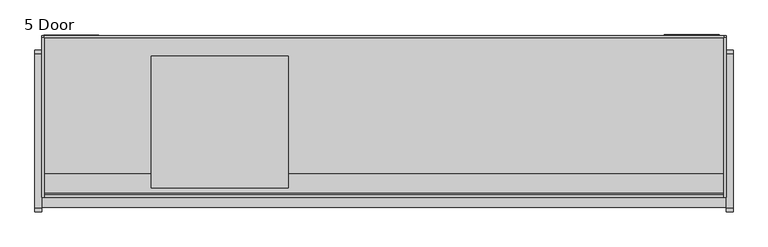
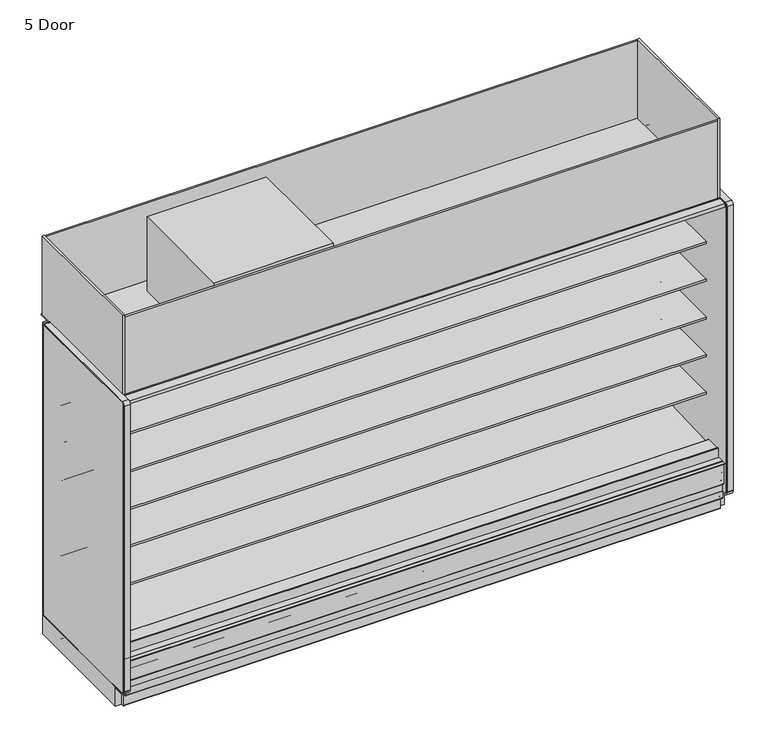
"""IFC4 building model written with IfcOpenShell, lengths in millimetres: proxy geometry, 5 Door."""

from ifc_helpers import new_model, si_unit, point, frame, frame_2d, origin, origin_with_axes, place, context, project, spatial, polyline, circle_curve, trimmed, segment, composite_curve, outline, extrude, source, transform, mapped, element, save


def proxy_5_door_fe0a58a6(model_context):
    return source(origin(), model_context, "Body", "SweptSolid", [
        extrude(outline(polyline([(0.0, -38.6530691), (0.0, 0.0), (3200.4, 0.0), (3200.4, -38.6530691), (0.0, -38.6530691)])), frame((3810.0, -1078.2703087, 1997.4969004), z_axis=(0.0, 0.24192189559968305, 0.9702957262759927), x_axis=(-1.0, 0.0, 0.0)), (0.0, 0.0, 1.0), 7.3408347),
        extrude(outline(polyline([(-1183.4834873, 177.8), (-1183.4834873, 195.2905293), (-1181.4991123, 191.853491), (-1181.4991123, 175.815625), (-1189.8334873, 175.815625), (-1189.8334873, 133.35), (-1191.8146873, 133.35), (-1191.8146873, 177.8), (-1183.4834873, 177.8)])), frame((0.0, 0.0, 0.0), z_axis=(1.0, 0.0, 0.0), x_axis=(0.0, 1.0, 0.0)), (0.0, 0.0, 1.0), 3810.0),
        extrude(outline(composite_curve([segment(polyline([(-1199.1652772, 323.6525395), (-1199.1652772, 322.7889395), (-1205.4517772, 322.7889395)]), True, "CONTINUOUS"), segment(trimmed(circle_curve(frame_2d((-1205.4517772, 322.0015395)), 0.7874), [point((-1205.4517772, 322.7889395))], [point((-1206.2391772, 322.0015395))], True, "CARTESIAN"), True, "CONTINUOUS"), segment(polyline([(-1206.2391772, 322.0015395), (-1206.2391772, 320.4775395), (-1206.2391772, 189.9871554)]), True, "CONTINUOUS"), segment(trimmed(circle_curve(frame_2d((-1205.4517772, 189.9871554)), 0.7874), [point((-1206.2391772, 189.9871554))], [point((-1205.0580772, 189.305247))], True, "CARTESIAN"), True, "CONTINUOUS"), segment(polyline([(-1205.0580772, 189.305247), (-1186.9673399, 199.7499391)]), True, "CONTINUOUS"), segment(trimmed(circle_curve(frame_2d((-1186.1418399, 198.3201311)), 1.651), [point((-1186.9673399, 199.7499391))], [point((-1184.712032, 199.1456311))], False, "CARTESIAN"), True, "CONTINUOUS"), segment(polyline([(-1184.712032, 199.1456311), (-1179.187532, 189.5769164), (-1179.9354315, 189.1451164), (-1185.4599315, 198.7138311)]), True, "CONTINUOUS"), segment(trimmed(circle_curve(frame_2d((-1186.1418399, 198.3201311)), 0.7874), [point((-1185.4599315, 198.7138311))], [point((-1186.5355399, 199.0020395))], True, "CARTESIAN"), True, "CONTINUOUS"), segment(polyline([(-1186.5355399, 199.0020395), (-1204.6262772, 188.5573475)]), True, "CONTINUOUS"), segment(trimmed(circle_curve(frame_2d((-1205.4517772, 189.9871554)), 1.651), [point((-1204.6262772, 188.5573475))], [point((-1207.1027772, 189.9871554))], False, "CARTESIAN"), True, "CONTINUOUS"), segment(polyline([(-1207.1027772, 189.9871554), (-1207.1027772, 191.5746554), (-1207.1027772, 320.4775395), (-1207.1027772, 322.0015395)]), True, "CONTINUOUS"), segment(trimmed(circle_curve(frame_2d((-1205.4517772, 322.0015395)), 1.651), [point((-1207.1027772, 322.0015395))], [point((-1205.4517772, 323.6525395))], False, "CARTESIAN"), True, "CONTINUOUS"), segment(polyline([(-1205.4517772, 323.6525395), (-1199.1652772, 323.6525395)]), True, "CONTINUOUS")], self_intersect=False)), frame((0.0, 0.0, 0.0), z_axis=(1.0, 0.0, 0.0), x_axis=(0.0, 1.0, 0.0)), (0.0, 0.0, 1.0), 3810.0),
        extrude(outline(polyline([(1371.6, -374.4071273), (1371.6, -1111.0071273), (609.6, -1111.0071273), (609.6, -374.4071273), (1371.6, -374.4071273)])), frame((0.0, 0.0, 2107.5790188), z_axis=(0.0, 0.0, 1.0), x_axis=(1.0, 0.0, 0.0)), (0.0, 0.0, 1.0), 502.2709812),
        extrude(outline(polyline([(3810.0, -260.1071273), (3810.0, -1161.8071273), (0.0, -1161.8071273), (0.0, -260.1071273), (3810.0, -260.1071273)])), frame((0.0, 0.0, 2089.15), z_axis=(0.0, 0.0, 1.0), x_axis=(1.0, 0.0, 0.0)), (0.0, 0.0, 1.0), 6.35),
        extrude(outline(composite_curve([segment(polyline([(-1219.271907, 334.0862), (-1192.8205273, 334.0862)]), True, "CONTINUOUS"), segment(trimmed(circle_curve(frame_2d((-1192.8205273, 332.1304)), 1.9558), [point((-1192.8205273, 334.0862))], [point((-1190.8647273, 332.1304))], False, "CARTESIAN"), True, "CONTINUOUS"), segment(polyline([(-1190.8647273, 332.1304), (-1190.8647273, 321.3862), (-1190.8647273, 300.7449388), (-1192.1324192, 300.7449388), (-1192.1324192, 321.3862), (-1192.1324192, 332.1304)]), True, "CONTINUOUS"), segment(trimmed(circle_curve(frame_2d((-1192.9198192, 332.1304)), 0.7874), [point((-1192.1324192, 332.1304))], [point((-1192.9198192, 332.9178))], True, "CARTESIAN"), True, "CONTINUOUS"), segment(polyline([(-1192.9198192, 332.9178), (-1219.271907, 332.9178), (-1219.271907, 334.0862)]), True, "CONTINUOUS")], self_intersect=False)), frame((0.0, 0.0, 0.0), z_axis=(1.0, 0.0, 0.0), x_axis=(0.0, 1.0, 0.0)), (0.0, 0.0, 1.0), 3810.0),
        extrude(outline(composite_curve([segment(polyline([(-1169.6042697, 82.5444735), (-368.9975849, 82.5444735)]), True, "CONTINUOUS"), segment(trimmed(circle_curve(frame_2d((-372.4259273, 84.5312)), 3.9624), [point((-368.9975849, 82.5444735))], [point((-372.4259273, 80.5688))], False, "CARTESIAN"), True, "CONTINUOUS"), segment(polyline([(-372.4259273, 80.5688), (-1166.1759273, 80.5688)]), True, "CONTINUOUS"), segment(trimmed(circle_curve(frame_2d((-1166.1759273, 84.5312)), 3.9624), [point((-1166.1759273, 80.5688))], [point((-1169.6042697, 82.5444735))], False, "CARTESIAN"), True, "CONTINUOUS")], self_intersect=False)), frame((0.0, 0.0, 0.0), z_axis=(1.0, 0.0, 0.0), x_axis=(0.0, 1.0, 0.0)), (0.0, 0.0, 1.0), 3810.0),
        extrude(outline(composite_curve([segment(polyline([(-1001.3146873, 129.3876), (-1024.7334873, 129.3876)]), True, "CONTINUOUS"), segment(trimmed(circle_curve(frame_2d((-1024.7334873, 127.4064)), 1.9812), [point((-1024.7334873, 129.3876))], [point((-1026.7146873, 127.4064))], True, "CARTESIAN"), True, "CONTINUOUS"), segment(polyline([(-1026.7146873, 127.4064), (-1026.7146873, 86.5124)]), True, "CONTINUOUS"), segment(trimmed(circle_curve(frame_2d((-1030.6770873, 86.5124)), 3.9624), [point((-1026.7146873, 86.5124))], [point((-1030.6770873, 82.55))], False, "CARTESIAN"), True, "CONTINUOUS"), segment(polyline([(-1030.6770873, 82.55), (-1187.8522873, 82.55)]), True, "CONTINUOUS"), segment(trimmed(circle_curve(frame_2d((-1187.8522873, 86.5124)), 3.9624), [point((-1187.8522873, 82.55))], [point((-1191.8146873, 86.5124))], False, "CARTESIAN"), True, "CONTINUOUS"), segment(polyline([(-1191.8146873, 86.5124), (-1191.8146873, 133.35), (-1040.3697273, 133.35), (-1040.3697273, 131.3688), (-1189.8334873, 131.3688), (-1189.8334873, 86.5124)]), True, "CONTINUOUS"), segment(trimmed(circle_curve(frame_2d((-1187.8522873, 86.5124)), 1.9812), [point((-1189.8334873, 86.5124))], [point((-1187.8522873, 84.5312))], True, "CARTESIAN"), True, "CONTINUOUS"), segment(polyline([(-1187.8522873, 84.5312), (-1030.6770873, 84.5312)]), True, "CONTINUOUS"), segment(trimmed(circle_curve(frame_2d((-1030.6770873, 86.5124)), 1.9812), [point((-1030.6770873, 84.5312))], [point((-1028.6958873, 86.5124))], True, "CARTESIAN"), True, "CONTINUOUS"), segment(polyline([(-1028.6958873, 86.5124), (-1028.6958873, 129.3876)]), True, "CONTINUOUS"), segment(trimmed(circle_curve(frame_2d((-1024.7334873, 129.3876)), 3.9624), [point((-1028.6958873, 129.3876))], [point((-1024.7334873, 133.35))], False, "CARTESIAN"), True, "CONTINUOUS"), segment(polyline([(-1024.7334873, 133.35), (-1001.3146873, 133.35), (-1001.3146873, 129.3876)]), True, "CONTINUOUS")], self_intersect=False)), frame((0.0, 0.0, 0.0), z_axis=(1.0, 0.0, 0.0), x_axis=(0.0, 1.0, 0.0)), (0.0, 0.0, 1.0), 3810.0),
        extrude(outline(composite_curve([segment(trimmed(circle_curve(frame_2d((-514.1071273, 127.4064)), 1.9812), [point((-512.1259273, 127.4064))], [point((-514.1071273, 129.3876))], True, "CARTESIAN"), True, "CONTINUOUS"), segment(polyline([(-514.1071273, 129.3876), (-537.5259273, 129.3876), (-537.5259273, 133.1722), (-514.1071273, 133.1722)]), True, "CONTINUOUS"), segment(trimmed(circle_curve(frame_2d((-514.1071273, 129.2098)), 3.9624), [point((-514.1071273, 133.1722))], [point((-510.1447273, 129.2098))], False, "CARTESIAN"), True, "CONTINUOUS"), segment(polyline([(-510.1447273, 129.2098), (-510.1447273, 86.5124)]), True, "CONTINUOUS"), segment(trimmed(circle_curve(frame_2d((-508.1635273, 86.5124)), 1.9812), [point((-510.1447273, 86.5124))], [point((-508.1635273, 84.5312))], True, "CARTESIAN"), True, "CONTINUOUS"), segment(polyline([(-508.1635273, 84.5312), (-350.9883273, 84.5312)]), True, "CONTINUOUS"), segment(trimmed(circle_curve(frame_2d((-350.9883273, 86.5124)), 1.9812), [point((-350.9883273, 84.5312))], [point((-349.0071273, 86.5124))], True, "CARTESIAN"), True, "CONTINUOUS"), segment(polyline([(-349.0071273, 86.5124), (-349.0071273, 133.35), (-347.0259273, 133.35), (-347.0259273, 86.5124)]), True, "CONTINUOUS"), segment(trimmed(circle_curve(frame_2d((-350.9883273, 86.5124)), 3.9624), [point((-347.0259273, 86.5124))], [point((-350.9883273, 82.55))], False, "CARTESIAN"), True, "CONTINUOUS"), segment(polyline([(-350.9883273, 82.55), (-508.1635273, 82.55)]), True, "CONTINUOUS"), segment(trimmed(circle_curve(frame_2d((-508.1635273, 86.5124)), 3.9624), [point((-508.1635273, 82.55))], [point((-512.1259273, 86.5124))], False, "CARTESIAN"), True, "CONTINUOUS"), segment(polyline([(-512.1259273, 86.5124), (-512.1259273, 127.4064)]), True, "CONTINUOUS")], self_intersect=False)), frame((0.0, 0.0, 0.0), z_axis=(1.0, 0.0, 0.0), x_axis=(0.0, 1.0, 0.0)), (0.0, 0.0, 1.0), 3810.0),
        extrude(outline(polyline([(3810.0, -372.4259273), (3810.0, -1166.1759273), (0.0, -1166.1759273), (0.0, -372.4259273), (3810.0, -372.4259273)])), frame((0.0, 0.0, 78.5876), z_axis=(0.0, 0.0, 1.0), x_axis=(1.0, 0.0, 0.0)), (0.0, 0.0, 1.0), 1.9812),
        extrude(outline(composite_curve([segment(polyline([(-372.4259273, 3.9624), (-372.4259273, 1.9812), (-372.4259273, 0.0), (-474.0259273, 0.0), (-474.0259273, 1.9812), (-474.0259273, 3.9624), (-474.0259273, 19.05)]), True, "CONTINUOUS"), segment(trimmed(circle_curve(frame_2d((-499.4259273, 19.05)), 25.4), [point((-474.0259273, 19.05))], [point((-499.4259273, 44.45))], True, "CARTESIAN"), True, "CONTINUOUS"), segment(polyline([(-499.4259273, 44.45), (-1039.1759273, 44.45)]), True, "CONTINUOUS"), segment(trimmed(circle_curve(frame_2d((-1039.1759273, 19.05)), 25.4), [point((-1039.1759273, 44.45))], [point((-1064.5759273, 19.05))], True, "CARTESIAN"), True, "CONTINUOUS"), segment(polyline([(-1064.5759273, 19.05), (-1064.5759273, 3.9624), (-1064.5759273, 1.9812), (-1064.5759273, 0.0), (-1166.1759273, 0.0), (-1166.1759273, 1.9812), (-1166.1759273, 3.9624), (-1166.1759273, 78.5876), (-372.4259273, 78.5876), (-372.4259273, 3.9624)]), True, "CONTINUOUS")], self_intersect=False), holes=[composite_curve([segment(trimmed(circle_curve(frame_2d((-1089.9759273, 69.85)), 4.2164), [point((-1092.0841273, 73.5015095))], [point((-1087.8677273, 66.1984905))], True, "CARTESIAN"), True, "CONTINUOUS"), segment(trimmed(circle_curve(frame_2d((-1089.9759273, 69.85)), 4.2164), [point((-1087.8677273, 66.1984905))], [point((-1092.0841273, 73.5015095))], True, "CARTESIAN"), True, "CONTINUOUS")], self_intersect=False), composite_curve([segment(trimmed(circle_curve(frame_2d((-1089.9759273, 12.7)), 4.2164), [point((-1092.0841273, 16.3515095))], [point((-1087.8677273, 9.0484905))], True, "CARTESIAN"), True, "CONTINUOUS"), segment(trimmed(circle_curve(frame_2d((-1089.9759273, 12.7)), 4.2164), [point((-1087.8677273, 9.0484905))], [point((-1092.0841273, 16.3515095))], True, "CARTESIAN"), True, "CONTINUOUS")], self_intersect=False), composite_curve([segment(trimmed(circle_curve(frame_2d((-448.6259273, 69.85)), 4.2164), [point((-450.7341273, 73.5015095))], [point((-446.5177273, 66.1984905))], True, "CARTESIAN"), True, "CONTINUOUS"), segment(trimmed(circle_curve(frame_2d((-448.6259273, 69.85)), 4.2164), [point((-446.5177273, 66.1984905))], [point((-450.7341273, 73.5015095))], True, "CARTESIAN"), True, "CONTINUOUS")], self_intersect=False), composite_curve([segment(trimmed(circle_curve(frame_2d((-448.6259273, 12.7)), 4.2164), [point((-450.7341273, 16.3515095))], [point((-446.5177273, 9.0484905))], True, "CARTESIAN"), True, "CONTINUOUS"), segment(trimmed(circle_curve(frame_2d((-448.6259273, 12.7)), 4.2164), [point((-446.5177273, 9.0484905))], [point((-450.7341273, 16.3515095))], True, "CARTESIAN"), True, "CONTINUOUS")], self_intersect=False)]), frame((0.0, 0.0, 0.0), z_axis=(1.0, 0.0, 0.0), x_axis=(0.0, 1.0, 0.0)), (0.0, 0.0, 1.0), 3810.0),
        extrude(outline(composite_curve([segment(trimmed(circle_curve(frame_2d((3687.8082444, -305.1108756)), 12.7), [point((3675.1082444, -305.1108756))], [point((3700.5082444, -305.1108756))], False, "CARTESIAN"), True, "CONTINUOUS"), segment(trimmed(circle_curve(frame_2d((3687.8082444, -305.1108756)), 12.7), [point((3700.5082444, -305.1108756))], [point((3675.1082444, -305.1108756))], False, "CARTESIAN"), True, "CONTINUOUS")], self_intersect=False)), frame((0.0, 0.0, 1138.0399939), z_axis=(0.0, 0.0, 1.0), x_axis=(1.0, 0.0, 0.0)), (0.0, 0.0, 1.0), 554.8039204),
        extrude(outline(composite_curve([segment(trimmed(circle_curve(frame_2d((3558.38125, -305.1108756)), 9.525), [point((3548.85625, -305.1108756))], [point((3567.90625, -305.1108756))], False, "CARTESIAN"), True, "CONTINUOUS"), segment(trimmed(circle_curve(frame_2d((3558.38125, -305.1108756)), 9.525), [point((3567.90625, -305.1108756))], [point((3548.85625, -305.1108756))], False, "CARTESIAN"), True, "CONTINUOUS")], self_intersect=False)), frame((0.0, 0.0, 1138.0399939), z_axis=(0.0, 0.0, 1.0), x_axis=(1.0, 0.0, 0.0)), (0.0, 0.0, 1.0), 554.8039204),
        extrude(outline(polyline([(3771.10625, -256.4521239), (3771.10625, -349.0071273), (3767.93125, -349.0071273), (3767.93125, -259.6271239), (3469.48125, -259.6271239), (3469.48125, -349.0071273), (3466.30625, -349.0071273), (3466.30625, -256.4521239), (3771.10625, -256.4521239)])), frame((0.0, 0.0, 193.7512), z_axis=(0.0, 0.0, 1.0), x_axis=(1.0, 0.0, 0.0)), (0.0, 0.0, 1.0), 1438.7950439),
        extrude(outline(polyline([(105.5601284, -782.8225818), (397.6601284, -782.8225818), (397.6601284, -1034.2202905), (105.5601284, -1034.2202905), (105.5601284, -782.8225818)])), frame((0.0, 0.0, 95.25), z_axis=(0.0, 0.0, 1.0), x_axis=(1.0, 0.0, 0.0)), (0.0, 0.0, 1.0), 6.35),
        extrude(outline(composite_curve([segment(trimmed(circle_curve(frame_2d((1905.0, -1015.7571273)), 38.1), [point((1866.9, -1015.7571273))], [point((1943.1, -1015.7571273))], False, "CARTESIAN"), True, "CONTINUOUS"), segment(trimmed(circle_curve(frame_2d((1905.0, -1015.7571273)), 38.1), [point((1943.1, -1015.7571273))], [point((1866.9, -1015.7571273))], False, "CARTESIAN"), True, "CONTINUOUS")], self_intersect=False)), origin_with_axes(), (0.0, 0.0, 1.0), 101.6),
        extrude(outline(polyline([(316.70625, -258.0396239), (316.70625, -349.0071273), (11.90625, -349.0071273), (11.90625, -258.0396239), (316.70625, -258.0396239)])), frame((0.0, 0.0, 1782.450878), z_axis=(0.0, 0.0, 1.0), x_axis=(1.0, 0.0, 0.0)), (0.0, 0.0, 1.0), 254.5161408),
        extrude(outline(composite_curve([segment(polyline([(-453.852044, 591.1422184), (-464.9599362, 590.9259013)]), True, "CONTINUOUS"), segment(trimmed(circle_curve(frame_2d((-465.4478819, 615.9819291)), 25.0607786), [point((-464.9599362, 590.9259013))], [point((-481.3552045, 596.6170199))], False, "CARTESIAN"), True, "CONTINUOUS"), segment(polyline([(-481.3552045, 596.6170199), (-519.5769051, 627.7002885)]), True, "CONTINUOUS"), segment(trimmed(circle_curve(frame_2d((-559.6413782, 578.4348036)), 63.5), [point((-519.5769051, 627.7002885))], [point((-552.7883688, 641.5639274))], True, "CARTESIAN"), True, "CONTINUOUS"), segment(polyline([(-552.7883688, 641.5639274), (-892.1960421, 674.1744175), (-892.1960421, 678.4587439), (-1012.6220004, 678.4587439), (-1012.6220004, 691.9524939), (-453.852044, 691.9524939), (-453.852044, 591.1422184)]), True, "CONTINUOUS")], self_intersect=False)), frame((0.0, 0.0, 0.0), z_axis=(1.0, 0.0, 0.0), x_axis=(0.0, 1.0, 0.0)), (0.0, 0.0, 1.0), 3810.0),
        extrude(outline(composite_curve([segment(polyline([(-453.852044, 845.1422184), (-464.9599362, 844.9259013)]), True, "CONTINUOUS"), segment(trimmed(circle_curve(frame_2d((-465.4478819, 869.9819291)), 25.0607786), [point((-464.9599362, 844.9259013))], [point((-481.3552045, 850.6170199))], False, "CARTESIAN"), True, "CONTINUOUS"), segment(polyline([(-481.3552045, 850.6170199), (-519.5769051, 881.7002885)]), True, "CONTINUOUS"), segment(trimmed(circle_curve(frame_2d((-559.6413782, 832.4348036)), 63.5), [point((-519.5769051, 881.7002885))], [point((-552.7883688, 895.5639274))], True, "CARTESIAN"), True, "CONTINUOUS"), segment(polyline([(-552.7883688, 895.5639274), (-892.1960421, 928.1744175), (-892.1960421, 932.4587439), (-1012.6220004, 932.4587439), (-1012.6220004, 945.9524939), (-453.852044, 945.9524939), (-453.852044, 845.1422184)]), True, "CONTINUOUS")], self_intersect=False)), frame((0.0, 0.0, 0.0), z_axis=(1.0, 0.0, 0.0), x_axis=(0.0, 1.0, 0.0)), (0.0, 0.0, 1.0), 3810.0),
        extrude(outline(composite_curve([segment(polyline([(-453.852044, 1099.1422184), (-464.9599362, 1098.9259013)]), True, "CONTINUOUS"), segment(trimmed(circle_curve(frame_2d((-465.4478819, 1123.9819291)), 25.0607786), [point((-464.9599362, 1098.9259013))], [point((-481.3552045, 1104.6170199))], False, "CARTESIAN"), True, "CONTINUOUS"), segment(polyline([(-481.3552045, 1104.6170199), (-519.5769051, 1135.7002885)]), True, "CONTINUOUS"), segment(trimmed(circle_curve(frame_2d((-559.6413782, 1086.4348036)), 63.5), [point((-519.5769051, 1135.7002885))], [point((-552.7883688, 1149.5639274))], True, "CARTESIAN"), True, "CONTINUOUS"), segment(polyline([(-552.7883688, 1149.5639274), (-892.1960421, 1182.1744175), (-892.1960421, 1186.4587439), (-1012.6220004, 1186.4587439), (-1012.6220004, 1199.9524939), (-453.852044, 1199.9524939), (-453.852044, 1099.1422184)]), True, "CONTINUOUS")], self_intersect=False)), frame((0.0, 0.0, 0.0), z_axis=(1.0, 0.0, 0.0), x_axis=(0.0, 1.0, 0.0)), (0.0, 0.0, 1.0), 3810.0),
        extrude(outline(composite_curve([segment(polyline([(-453.852044, 1353.1422184), (-464.9599362, 1352.9259013)]), True, "CONTINUOUS"), segment(trimmed(circle_curve(frame_2d((-465.4478819, 1377.9819291)), 25.0607786), [point((-464.9599362, 1352.9259013))], [point((-481.3552045, 1358.6170199))], False, "CARTESIAN"), True, "CONTINUOUS"), segment(polyline([(-481.3552045, 1358.6170199), (-519.5769051, 1389.7002885)]), True, "CONTINUOUS"), segment(trimmed(circle_curve(frame_2d((-559.6413782, 1340.4348036)), 63.5), [point((-519.5769051, 1389.7002885))], [point((-552.7883688, 1403.5639274))], True, "CARTESIAN"), True, "CONTINUOUS"), segment(polyline([(-552.7883688, 1403.5639274), (-892.1960421, 1436.1744175), (-892.1960421, 1440.4587439), (-1012.6220004, 1440.4587439), (-1012.6220004, 1453.9524939), (-453.852044, 1453.9524939), (-453.852044, 1353.1422184)]), True, "CONTINUOUS")], self_intersect=False)), frame((0.0, 0.0, 0.0), z_axis=(1.0, 0.0, 0.0), x_axis=(0.0, 1.0, 0.0)), (0.0, 0.0, 1.0), 3810.0),
        extrude(outline(polyline([(3810.0, -272.8071273), (3810.0, -1161.8071273), (3797.3, -1161.8071273), (3797.3, -272.8071273), (3810.0, -272.8071273)])), frame((0.0, 0.0, 2089.15), z_axis=(0.0, 0.0, 1.0), x_axis=(1.0, 0.0, 0.0)), (0.0, 0.0, 1.0), 542.5072188),
        extrude(outline(polyline([(12.7, -272.8071273), (12.7, -1161.8071273), (0.0, -1161.8071273), (0.0, -272.8071273), (12.7, -272.8071273)])), frame((0.0, 0.0, 2089.15), z_axis=(0.0, 0.0, 1.0), x_axis=(1.0, 0.0, 0.0)), (0.0, 0.0, 1.0), 542.5072188),
        extrude(outline(polyline([(3797.3, -260.1071273), (3797.3, -272.8071273), (12.7, -272.8071273), (12.7, -260.1071273), (3797.3, -260.1071273)])), frame((0.0, 0.0, 2095.5), z_axis=(0.0, 0.0, 1.0), x_axis=(1.0, 0.0, 0.0)), (0.0, 0.0, 1.0), 524.1938188),
        extrude(outline(composite_curve([segment(polyline([(-1032.1083773, 2088.5290188), (-1161.8071273, 2088.5290188), (-1161.8071273, 2619.6938188), (-1149.113193, 2619.6938188), (-1149.113193, 2126.5147188)]), True, "CONTINUOUS"), segment(trimmed(circle_curve(frame_2d((-1136.413193, 2126.5147188)), 12.7), [point((-1149.113193, 2126.5147188))], [point((-1136.413193, 2113.8147188))], True, "CARTESIAN"), True, "CONTINUOUS"), segment(polyline([(-1136.413193, 2113.8147188), (-1032.1083773, 2113.8147188), (-1032.1083773, 2088.5290188)]), True, "CONTINUOUS")], self_intersect=False)), frame((12.7, 0.0, 0.0), z_axis=(1.0, 0.0, 0.0), x_axis=(0.0, 1.0, 0.0)), (0.0, 0.0, 1.0), 3784.6),
        extrude(outline(polyline([(-1218.7163962, 2067.3454108), (-1218.7163962, 2088.5290188), (-1134.8551873, 2088.5290188), (-1134.8551873, 2037.6083622), (-1147.784197, 2037.6083622), (-1147.784197, 2067.3454108), (-1218.7163962, 2067.3454108)])), frame((0.0, 0.0, 0.0), z_axis=(1.0, 0.0, 0.0), x_axis=(0.0, 1.0, 0.0)), (0.0, 0.0, 1.0), 3810.0),
        extrude(outline(polyline([(-1147.784197, 334.0862), (-1147.784197, 396.6795495), (-1139.5526974, 396.6795495), (-1139.5526974, 302.7473029), (-1137.9651974, 302.7473029), (-1137.9651974, 300.7449388), (-1190.8639311, 300.7449388), (-1190.8657083, 334.0862), (-1147.784197, 334.0862)])), frame((0.0, 0.0, 0.0), z_axis=(1.0, 0.0, 0.0), x_axis=(0.0, 1.0, 0.0)), (0.0, 0.0, 1.0), 3810.0),
        extrude(outline(composite_curve([segment(polyline([(-453.852044, 1607.1422184), (-464.9599362, 1606.9259013)]), True, "CONTINUOUS"), segment(trimmed(circle_curve(frame_2d((-465.4478819, 1631.9819291)), 25.0607786), [point((-464.9599362, 1606.9259013))], [point((-481.3552045, 1612.6170199))], False, "CARTESIAN"), True, "CONTINUOUS"), segment(polyline([(-481.3552045, 1612.6170199), (-519.5769051, 1643.7002885)]), True, "CONTINUOUS"), segment(trimmed(circle_curve(frame_2d((-559.6413782, 1594.4348036)), 63.5), [point((-519.5769051, 1643.7002885))], [point((-552.7883688, 1657.5639274))], True, "CARTESIAN"), True, "CONTINUOUS"), segment(polyline([(-552.7883688, 1657.5639274), (-892.1960421, 1690.1744175), (-892.1960421, 1694.4587439), (-1012.652044, 1694.4587439), (-1012.652044, 1707.9524939), (-453.852044, 1707.9524939), (-453.852044, 1607.1422184)]), True, "CONTINUOUS")], self_intersect=False)), frame((0.0, 0.0, 0.0), z_axis=(1.0, 0.0, 0.0), x_axis=(0.0, 1.0, 0.0)), (0.0, 0.0, 1.0), 3810.0),
        extrude(outline(polyline([(-349.0071273, 133.35), (-1042.7095547, 133.35), (-1192.1324192, 258.7306705), (-1192.1324192, 300.7449388), (-1137.9651974, 300.7449388), (-1137.9651974, 283.9418925), (-1025.3654807, 189.4595117), (-1009.819944, 190.0023738), (-964.4677493, 157.1934642), (-899.9654388, 159.4459345), (-859.8822128, 192.9404113), (-402.3474764, 220.4377575), (-402.3474764, 2037.6083622), (-1134.8551873, 2037.6083622), (-1134.8551873, 2089.15), (-349.0071273, 2089.15), (-349.0071273, 133.35)])), frame((0.0, 0.0, 0.0), z_axis=(1.0, 0.0, 0.0), x_axis=(0.0, 1.0, 0.0)), (0.0, 0.0, 1.0), 3810.0),
        extrude(outline(polyline([(-569.7966273, 2009.5795495), (-1018.9788197, 2009.5795495), (-1038.3156637, 1986.1261212), (-1044.227619, 1987.6001372), (-1043.8968839, 1988.926643), (-1040.765401, 1988.1458766), (-1023.0938016, 2009.5795495), (-1078.2703087, 2009.5795495), (-1078.2703087, 1997.4969004), (-1075.2026184, 1996.7320393), (-1075.5333534, 1995.4055335), (-1081.4453087, 1996.8795495), (-1081.4453087, 2009.5795495), (-1091.0188306, 2009.5795495), (-1091.0188306, 2025.8814352), (-1103.7188306, 2025.8814352), (-1103.7188306, 2036.9670188), (-402.3474764, 2036.9670188), (-402.3474764, 300.7449388), (-453.852044, 300.7449388), (-453.852044, 2009.5795495), (-569.7966273, 2009.5795495)])), frame((0.0, 0.0, 0.0), z_axis=(1.0, 0.0, 0.0), x_axis=(0.0, 1.0, 0.0)), (0.0, 0.0, 1.0), 3810.0),
        extrude(outline(composite_curve([segment(polyline([(-549.102044, 376.9132463), (-549.102044, 389.995836), (-476.8468712, 389.995836), (-476.8468712, 399.2749991), (-453.852044, 399.2749991), (-453.852044, 380.470836), (-453.852044, 300.7449388), (-402.3474764, 300.7449388), (-402.3474764, 220.4377575), (-859.8822128, 192.9404113), (-899.9654388, 159.4459345), (-964.4677493, 157.1934642), (-1009.819944, 190.0023738), (-1025.3654807, 189.4595117), (-1137.9651974, 283.9418925), (-1137.9651974, 312.2723029), (-1139.5526974, 312.2723029), (-1139.5526974, 388.7420495), (-1040.1411273, 388.7420495)]), True, "CONTINUOUS"), segment(trimmed(circle_curve(frame_2d((-1040.1411273, 386.6846495)), 2.0574), [point((-1040.1411273, 388.7420495))], [point((-1038.0837273, 386.6846495))], False, "CARTESIAN"), True, "CONTINUOUS"), segment(polyline([(-1038.0837273, 386.6846495), (-1038.0837273, 358.6497695), (-549.102044, 376.9132463)]), True, "CONTINUOUS")], self_intersect=False)), frame((0.0, 0.0, 0.0), z_axis=(1.0, 0.0, 0.0), x_axis=(0.0, 1.0, 0.0)), (0.0, 0.0, 1.0), 3810.0),
        extrude(outline(composite_curve([segment(polyline([(-349.0071273, 133.35), (-1209.4321273, 133.35)]), True, "CONTINUOUS"), segment(trimmed(circle_curve(frame_2d((-1209.4321273, 158.75)), 25.4), [point((-1209.4321273, 133.35))], [point((-1234.8321273, 158.75))], False, "CARTESIAN"), True, "CONTINUOUS"), segment(polyline([(-1234.8321273, 158.75), (-1234.8321273, 2082.8)]), True, "CONTINUOUS"), segment(trimmed(circle_curve(frame_2d((-1222.1321273, 2082.8)), 12.7), [point((-1234.8321273, 2082.8))], [point((-1222.1321273, 2095.5))], False, "CARTESIAN"), True, "CONTINUOUS"), segment(polyline([(-1222.1321273, 2095.5), (-361.7071273, 2095.5)]), True, "CONTINUOUS"), segment(trimmed(circle_curve(frame_2d((-361.7071273, 2082.8)), 12.7), [point((-361.7071273, 2095.5))], [point((-349.0071273, 2082.8))], False, "CARTESIAN"), True, "CONTINUOUS"), segment(polyline([(-349.0071273, 2082.8), (-349.0071273, 133.35)]), True, "CONTINUOUS")], self_intersect=False)), frame((3810.0, 0.0, 0.0), z_axis=(1.0, 0.0, 0.0), x_axis=(0.0, 1.0, 0.0)), (0.0, 0.0, 1.0), 38.1),
        extrude(outline(composite_curve([segment(polyline([(-349.0071273, 133.35), (-349.0071273, 2082.8)]), True, "CONTINUOUS"), segment(trimmed(circle_curve(frame_2d((-361.7071273, 2082.8)), 12.7), [point((-349.0071273, 2082.8))], [point((-361.7071273, 2095.5))], True, "CARTESIAN"), True, "CONTINUOUS"), segment(polyline([(-361.7071273, 2095.5), (-1222.1321273, 2095.5)]), True, "CONTINUOUS"), segment(trimmed(circle_curve(frame_2d((-1222.1321273, 2082.8)), 12.7), [point((-1222.1321273, 2095.5))], [point((-1234.8321273, 2082.8))], True, "CARTESIAN"), True, "CONTINUOUS"), segment(polyline([(-1234.8321273, 2082.8), (-1234.8321273, 158.75)]), True, "CONTINUOUS"), segment(trimmed(circle_curve(frame_2d((-1209.4321273, 158.75)), 25.4), [point((-1234.8321273, 158.75))], [point((-1209.4321273, 133.35))], True, "CARTESIAN"), True, "CONTINUOUS"), segment(polyline([(-1209.4321273, 133.35), (-1145.9321273, 133.35), (-1145.9321273, 122.8907563), (-1209.4321273, 122.8907563)]), True, "CONTINUOUS"), segment(trimmed(circle_curve(frame_2d((-1209.4321273, 155.9306)), 33.0398438), [point((-1209.4321273, 122.8907563))], [point((-1242.471971, 155.9306))], False, "CARTESIAN"), True, "CONTINUOUS"), segment(polyline([(-1242.471971, 155.9306), (-1242.471971, 2082.8)]), True, "CONTINUOUS"), segment(trimmed(circle_curve(frame_2d((-1222.1321273, 2082.8)), 20.3398437), [point((-1242.471971, 2082.8))], [point((-1222.1321273, 2103.1398438))], False, "CARTESIAN"), True, "CONTINUOUS"), segment(polyline([(-1222.1321273, 2103.1398438), (-361.7071273, 2103.1398438)]), True, "CONTINUOUS"), segment(trimmed(circle_curve(frame_2d((-361.7071273, 2082.8)), 20.3398437), [point((-361.7071273, 2103.1398438))], [point((-341.3672835, 2082.8))], False, "CARTESIAN"), True, "CONTINUOUS"), segment(polyline([(-341.3672835, 2082.8), (-341.3672835, 133.35), (-349.0071273, 133.35)]), True, "CONTINUOUS")], self_intersect=False)), frame((3810.0, 0.0, 0.0), z_axis=(1.0, 0.0, 0.0), x_axis=(0.0, 1.0, 0.0)), (0.0, 0.0, 1.0), 38.1),
        extrude(outline(composite_curve([segment(polyline([(-349.0071273, 129.3876), (-1209.4321273, 129.3876)]), True, "CONTINUOUS"), segment(trimmed(circle_curve(frame_2d((-1209.4321273, 154.7876)), 25.4), [point((-1209.4321273, 129.3876))], [point((-1234.8321273, 154.7876))], False, "CARTESIAN"), True, "CONTINUOUS"), segment(polyline([(-1234.8321273, 154.7876), (-1234.8321273, 2082.8)]), True, "CONTINUOUS"), segment(trimmed(circle_curve(frame_2d((-1222.1321273, 2082.8)), 12.7), [point((-1234.8321273, 2082.8))], [point((-1222.1321273, 2095.5))], False, "CARTESIAN"), True, "CONTINUOUS"), segment(polyline([(-1222.1321273, 2095.5), (-361.7071273, 2095.5)]), True, "CONTINUOUS"), segment(trimmed(circle_curve(frame_2d((-361.7071273, 2082.8)), 12.7), [point((-361.7071273, 2095.5))], [point((-349.0071273, 2082.8))], False, "CARTESIAN"), True, "CONTINUOUS"), segment(polyline([(-349.0071273, 2082.8), (-349.0071273, 129.3876)]), True, "CONTINUOUS")], self_intersect=False)), frame((-38.1, 0.0, 0.0), z_axis=(1.0, 0.0, 0.0), x_axis=(0.0, 1.0, 0.0)), (0.0, 0.0, 1.0), 38.1),
        extrude(outline(composite_curve([segment(polyline([(-349.0071273, 133.35), (-349.0071273, 2082.8)]), True, "CONTINUOUS"), segment(trimmed(circle_curve(frame_2d((-361.7071273, 2082.8)), 12.7), [point((-349.0071273, 2082.8))], [point((-361.7071273, 2095.5))], True, "CARTESIAN"), True, "CONTINUOUS"), segment(polyline([(-361.7071273, 2095.5), (-1222.1321273, 2095.5)]), True, "CONTINUOUS"), segment(trimmed(circle_curve(frame_2d((-1222.1321273, 2082.8)), 12.7), [point((-1222.1321273, 2095.5))], [point((-1234.8321273, 2082.8))], True, "CARTESIAN"), True, "CONTINUOUS"), segment(polyline([(-1234.8321273, 2082.8), (-1234.8321273, 158.75)]), True, "CONTINUOUS"), segment(trimmed(circle_curve(frame_2d((-1209.4321273, 158.75)), 25.4), [point((-1234.8321273, 158.75))], [point((-1209.4321273, 133.35))], True, "CARTESIAN"), True, "CONTINUOUS"), segment(polyline([(-1209.4321273, 133.35), (-1145.9321273, 133.35), (-1145.9321273, 122.8907563), (-1209.4321273, 122.8907563)]), True, "CONTINUOUS"), segment(trimmed(circle_curve(frame_2d((-1209.4321273, 155.9306)), 33.0398438), [point((-1209.4321273, 122.8907563))], [point((-1242.471971, 155.9306))], False, "CARTESIAN"), True, "CONTINUOUS"), segment(polyline([(-1242.471971, 155.9306), (-1242.471971, 2082.8)]), True, "CONTINUOUS"), segment(trimmed(circle_curve(frame_2d((-1222.1321273, 2082.8)), 20.3398437), [point((-1242.471971, 2082.8))], [point((-1222.1321273, 2103.1398438))], False, "CARTESIAN"), True, "CONTINUOUS"), segment(polyline([(-1222.1321273, 2103.1398438), (-361.7071273, 2103.1398438)]), True, "CONTINUOUS"), segment(trimmed(circle_curve(frame_2d((-361.7071273, 2082.8)), 20.3398437), [point((-361.7071273, 2103.1398438))], [point((-341.3672835, 2082.8))], False, "CARTESIAN"), True, "CONTINUOUS"), segment(polyline([(-341.3672835, 2082.8), (-341.3672835, 133.35), (-349.0071273, 133.35)]), True, "CONTINUOUS")], self_intersect=False)), frame((-38.1, 0.0, 0.0), z_axis=(1.0, 0.0, 0.0), x_axis=(0.0, 1.0, 0.0)), (0.0, 0.0, 1.0), 38.1),
        extrude(outline(polyline([(0.0, -341.3672835), (0.0, -1145.9321273), (-38.1, -1145.9321273), (-38.1, -341.3672835), (0.0, -341.3672835)])), origin_with_axes(), (0.0, 0.0, 1.0), 133.35),
        extrude(outline(polyline([(3848.1, -341.3672835), (3848.1, -1145.9321273), (3810.0, -1145.9321273), (3810.0, -341.3672835), (3848.1, -341.3672835)])), origin_with_axes(), (0.0, 0.0, 1.0), 133.35),
    ])


if __name__ == "__main__":
    model = new_model("IFC4")
    model_context = context("Model", 3, world=origin())
    ifc_project = project(units=[si_unit("LENGTHUNIT", "METRE", prefix="MILLI")], contexts=[model_context])
    site = spatial("IfcSite", under=ifc_project)
    building = spatial("IfcBuilding", under=site)
    placement = place(None, origin())
    proxy_5_door_shape = proxy_5_door_fe0a58a6(model_context)
    element("IfcBuildingElementProxy", 1, Name="5 Door", ObjectType="5 Door", at=placement, inside=building, context=model_context, shape_type="MappedRepresentation", body=[
        mapped(proxy_5_door_shape, transform((0.0, 0.0, 0.0), x_axis=(1.0, 0.0, 0.0), y_axis=(0.0, 1.0, 0.0), z_axis=(0.0, 0.0, 1.0))),
    ])
    save(model, "model.ifc")
